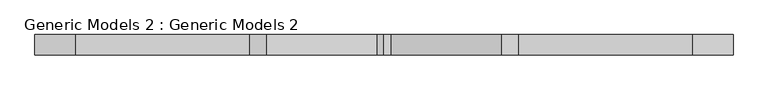
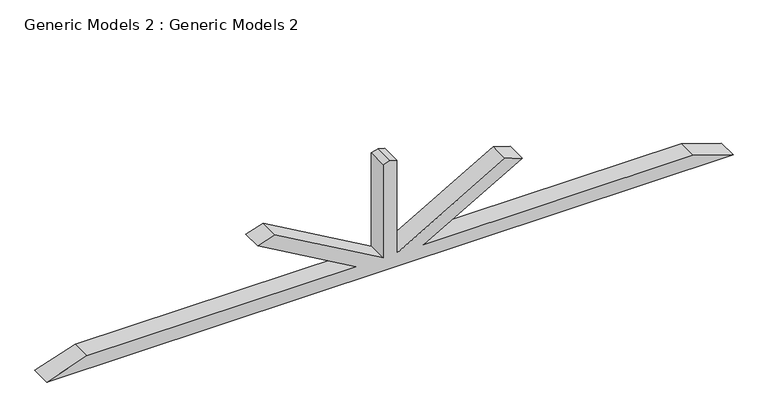
"""IFC4 building model written with IfcOpenShell, lengths in millimetres: proxy geometry, Generic Models 2 : Generic Models 2."""

from ifc_helpers import new_model, si_unit, frame, origin, place, context, project, spatial, polyline, outline, extrude, source, transform, mapped, element, save


def generic_models_2_generic_models_2_efeeb59d(model_context):
    return source(origin(), model_context, "Body", "SweptSolid", [
        extrude(outline(polyline([(2743.2, -7283.1262394), (2743.2, -2101.5262394), (2844.8, -2406.3262394), (2844.8, -4438.3262394), (3274.2121265, -3694.5626189), (3317.1533392, -3823.3862568), (2844.8, -4641.5262394), (3589.8666667, -4641.5262394), (3606.8, -4692.3262394), (3589.8666667, -4743.1262394), (2844.8, -4743.1262394), (3317.1533392, -5561.2662219), (3274.2121265, -5690.0898599), (2844.8, -4946.3262394), (2844.8, -6978.3262394), (2743.2, -7283.1262394)])), frame((0.0, 7370.1919233, 0.0), z_axis=(0.0, 1.0, 0.0), x_axis=(0.0, 0.0, 1.0)), (0.0, 0.0, 1.0), 152.4),
    ])


if __name__ == "__main__":
    model = new_model("IFC4")
    model_context = context("Model", 3, world=origin())
    ifc_project = project(units=[si_unit("LENGTHUNIT", "METRE", prefix="MILLI")], contexts=[model_context])
    site = spatial("IfcSite", under=ifc_project)
    building = spatial("IfcBuilding", under=site)
    placement = place(None, origin())
    generic_models_2_generic_models_2_shape = generic_models_2_generic_models_2_efeeb59d(model_context)
    element("IfcBuildingElementProxy", 1, Name="Generic Models 2 : Generic Models 2", ObjectType="Generic Models 2 : Generic Models 2", at=placement, inside=building, context=model_context, shape_type="MappedRepresentation", body=[
        mapped(generic_models_2_generic_models_2_shape, transform((0.0, 0.0, 0.0), x_axis=(1.0, 0.0, 0.0), y_axis=(0.0, 1.0, 0.0), z_axis=(0.0, 0.0, 1.0))),
    ])
    save(model, "model.ifc")
